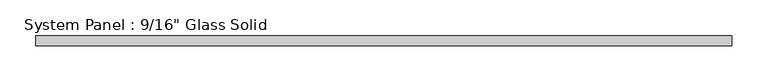
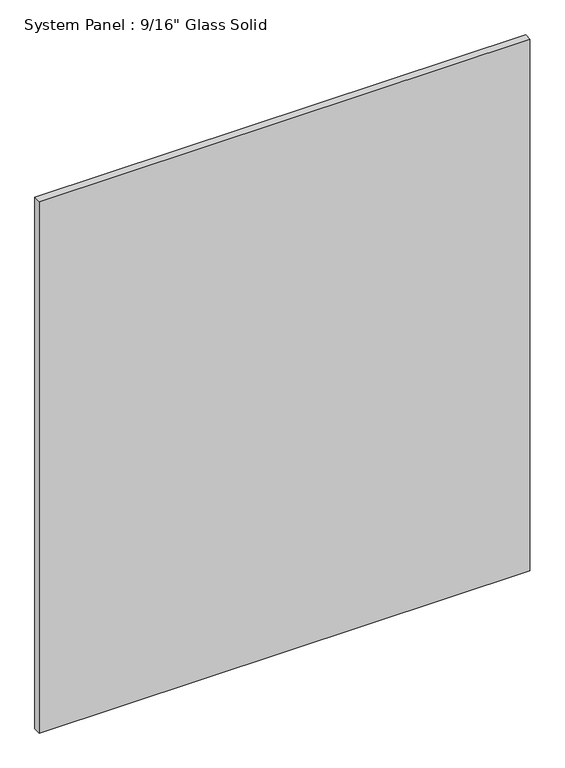
"""IFC4 building model written with IfcOpenShell, lengths in millimetres: plate geometry."""

from ifc_helpers import new_model, si_unit, origin, origin_with_axes, place, context, project, spatial, polyline, outline, extrude, source, transform, mapped, element, save


def plate_c530a03d(model_context):
    return source(origin(), model_context, "Body", "SweptSolid", [
        extrude(outline(polyline([(488.9508852, -7.14375), (-488.9508852, -7.14375), (-488.9508852, 7.14375), (488.9508852, 7.14375), (488.9508852, -7.14375)])), origin_with_axes(), (0.0, 0.0, 1.0), 1119.6191382),
    ])


if __name__ == "__main__":
    model = new_model("IFC4")
    model_context = context("Model", 3, world=origin())
    ifc_project = project(units=[si_unit("LENGTHUNIT", "METRE", prefix="MILLI")], contexts=[model_context])
    site = spatial("IfcSite", under=ifc_project)
    building = spatial("IfcBuilding", under=site)
    placement = place(None, origin())
    plate_shape = plate_c530a03d(model_context)
    element("IfcPlate", 1, ObjectType="System Panel : 9/16\" Glass Solid", at=placement, inside=building, context=model_context, shape_type="MappedRepresentation", body=[
        mapped(plate_shape, transform((0.0, 0.0, 0.0), x_axis=(1.0, 0.0, 0.0), y_axis=(0.0, 1.0, 0.0), z_axis=(0.0, 0.0, 1.0))),
    ])
    save(model, "model.ifc")
